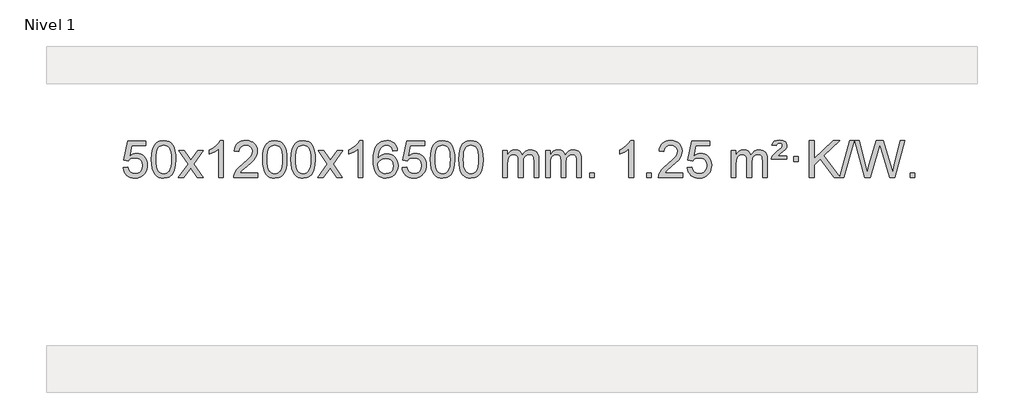
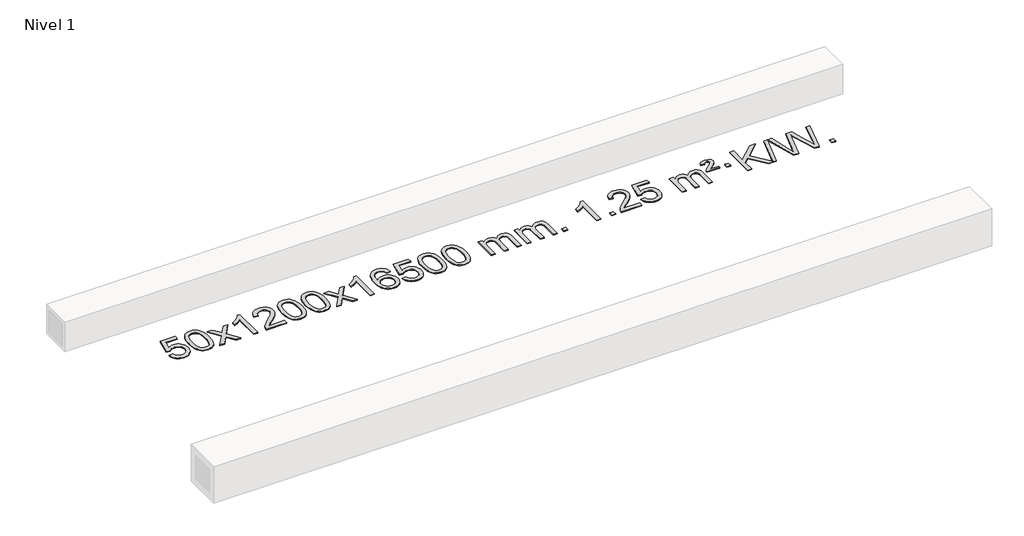
# One storey, part 3 of 3: 1 proxy.
"""IFC4 building model written with IfcOpenShell, lengths in millimetres."""

from ifc_helpers import new_model, si_unit, origin, origin_with_axes, place, context, project, spatial, polyline, outline, extrude, element, save

model = new_model("IFC4")

# Units and contexts
model_context = context("Model", 3, world=origin())
ifc_project = project(units=[si_unit("LENGTHUNIT", "METRE", prefix="MILLI")], contexts=[model_context])

# Site, building, storey
site = spatial("IfcSite", under=ifc_project)
building = spatial("IfcBuilding", under=site)
storey = spatial("IfcBuildingStorey", under=building, Name="Nivel 1", Elevation=0.0)

# Proxy
placement = place(None, origin())
element("IfcBuildingElementProxy", 1, Name="Texto de modelo 1", ObjectType="Texto de modelo 1", at=placement, inside=storey, context=model_context, shape_type="SweptSolid", body=[
    extrude(outline(polyline([(-19164.9669637, 2390.4100258), (-19114.7388086, 2396.6885452), (-19105.5172333, 2366.5344844), (-19089.4285273, 2344.9398112), (-19066.5462672, 2331.9535768), (-19036.9440294, 2327.624832), (-19017.8141656, 2329.1300825), (-19000.9406448, 2333.645834), (-18986.3234668, 2341.1720865), (-18973.9626318, 2351.7088399), (-18964.1340511, 2364.7349283), (-18957.1136364, 2379.7291852), (-18951.4973046, 2415.6222052), (-18956.7580171, 2449.4182979), (-18963.3339078, 2463.3365), (-18972.5401547, 2475.2681394), (-18984.4074148, 2484.8392026), (-18998.9663447, 2491.6756764), (-19036.1592144, 2497.1448554), (-19060.5252652, 2494.9620889), (-19080.2560029, 2488.4137894), (-19096.013615, 2478.3828736), (-19108.4602892, 2465.7522585), (-19158.6884443, 2472.0307778), (-19114.7388086, 2679.2219175), (-18920.1047077, 2679.2219175), (-18920.1047077, 2628.9937624), (-19074.1246363, 2628.9937624), (-19095.6089449, 2518.3348583), (-19077.8831641, 2531.0390499), (-19059.7281876, 2540.1134724), (-19041.1440155, 2545.5581259), (-19022.1306477, 2547.3730104), (-18997.6695607, 2545.1227989), (-18975.2011678, 2538.3721643), (-18954.7254691, 2527.1211066), (-18936.2424645, 2511.3696259), (-18920.9416392, 2492.0803466), (-18910.0124783, 2470.2158933), (-18903.4549817, 2445.7762661), (-18901.2691495, 2418.7614649), (-18903.2373182, 2392.7399451), (-18909.1418242, 2368.5333099), (-18918.9826676, 2346.1415591), (-18932.7598483, 2325.5646928), (-18953.6310202, 2304.4911859), (-18977.9848083, 2289.4386809), (-19005.8212126, 2280.4071779), (-19037.1402331, 2277.3966769), (-19063.0605853, 2279.3311231), (-19086.4732086, 2285.1344616), (-19107.378103, 2294.8066923), (-19125.7752685, 2308.3478154), (-19141.0822251, 2325.0833805), (-19152.7164932, 2344.3389373), (-19160.6780728, 2366.1144857), (-19164.9669637, 2390.4100258)])), origin_with_axes(), (0.0, 0.0, 1.0), 10.0),
    extrude(outline(polyline([(-18857.3195138, 2481.350455), (-18853.6284312, 2545.6684905), (-18842.5551831, 2596.9635034), (-18824.2101343, 2636.0203086), (-18812.3520713, 2651.2536888), (-18798.7036493, 2663.6237209), (-18783.218883, 2673.1947842), (-18765.8517871, 2680.0312579), (-18725.4706068, 2685.5004369), (-18694.5194682, 2682.2630753), (-18666.8056913, 2672.5509907), (-18643.6291256, 2656.7443276), (-18626.2896209, 2635.2232309), (-18613.1930218, 2608.1716415), (-18602.7451732, 2575.7735005), (-18595.9025681, 2534.6320307), (-18593.6216997, 2481.350455), (-18597.2759942, 2417.4003016), (-18608.2388776, 2366.227916), (-18626.4735619, 2327.1343227), (-18638.3040337, 2311.8549571), (-18651.9432587, 2299.4205457), (-18667.4464191, 2289.7851031), (-18684.8686972, 2282.9026441), (-18725.4706068, 2277.3966769), (-18753.1353328, 2279.7879099), (-18777.6607992, 2286.9616088), (-18799.0470058, 2298.9177736), (-18817.2939528, 2315.6564044), (-18834.8051357, 2345.9146985), (-18847.3131236, 2383.6164717), (-18854.8179163, 2428.7617238), (-18857.3195138, 2481.350455)]), holes=[polyline([(-18807.0913588, 2481.4485569), (-18805.6198308, 2437.7840298), (-18801.2052468, 2402.4397671), (-18793.8476069, 2375.4157689), (-18783.5469111, 2356.7120351), (-18771.0879742, 2343.9863837), (-18757.2556112, 2334.8966328), (-18742.049822, 2329.4427822), (-18725.4706068, 2327.624832), (-18708.8913915, 2329.4489136), (-18693.6856024, 2334.9211582), (-18679.8532394, 2344.041566), (-18667.3943025, 2356.8101369), (-18657.0936066, 2375.5445276), (-18649.7359667, 2402.5623944), (-18645.3213828, 2437.8637375), (-18643.8498548, 2481.4485569), (-18645.2723318, 2523.9573215), (-18649.539763, 2558.6792504), (-18656.6521482, 2585.6143438), (-18666.6094875, 2604.7626017), (-18678.859958, 2618.1105868), (-18692.8517365, 2627.6448618), (-18708.5848232, 2633.3654268), (-18726.059218, 2635.2722818), (-18742.5525941, 2633.5922874), (-18757.5008658, 2628.5523041), (-18770.9040332, 2620.1523318), (-18782.7620962, 2608.3923707), (-18793.4061486, 2587.5457243), (-18801.0090431, 2559.4395399), (-18805.5707799, 2524.0738174), (-18807.0913588, 2481.4485569)])]), origin_with_axes(), (0.0, 0.0, 1.0), 10.0),
    extrude(outline(polyline([(-18568.5076222, 2283.6751963), (-18461.1841814, 2432.0052168), (-18562.2291028, 2578.7656074), (-18501.7983537, 2578.7656074), (-18453.0417266, 2508.1322643), (-18430.2820938, 2474.7776301), (-18410.5636189, 2502.0499486), (-18355.0379631, 2578.7656074), (-18294.607214, 2578.7656074), (-18400.7534324, 2432.0052168), (-18298.5312886, 2283.6751963), (-18358.9620377, 2283.6751963), (-18420.4719073, 2372.8497919), (-18431.7536218, 2389.1347016), (-18508.0768731, 2283.6751963), (-18568.5076222, 2283.6751963)])), origin_with_axes(), (0.0, 0.0, 1.0), 10.0),
    extrude(outline(polyline([(-18078.7831102, 2283.6751963), (-18129.0112653, 2283.6751963), (-18129.0112653, 2596.8163506), (-18149.980539, 2579.8569906), (-18176.59067, 2562.9221561), (-18229.4675754, 2537.5628239), (-18229.4675754, 2585.0441268), (-18190.0183628, 2606.5039098), (-18155.8421254, 2632.0349203), (-18128.9009007, 2659.1846115), (-18111.1567258, 2685.5004369), (-18078.7831102, 2685.5004369), (-18078.7831102, 2283.6751963)])), origin_with_axes(), (0.0, 0.0, 1.0), 10.0),
    extrude(outline(polyline([(-17702.0719471, 2333.9033514), (-17702.0719471, 2283.6751963), (-17965.7697613, 2283.6751963), (-17964.6661153, 2301.3580575), (-17960.3741587, 2318.3051548), (-17947.9887982, 2345.3690069), (-17929.8644785, 2371.6235186), (-17903.646755, 2399.1043037), (-17866.9811828, 2429.8469757), (-17812.7799022, 2477.9904662), (-17780.2591338, 2513.5278669), (-17763.9987496, 2542.3698153), (-17758.5786216, 2570.4269488), (-17763.6921813, 2595.5778145), (-17779.0328605, 2616.4857746), (-17802.6140964, 2630.575655), (-17832.4493262, 2635.2722818), (-17863.7806095, 2630.6860196), (-17888.1221348, 2616.927233), (-17903.830696, 2595.0750425), (-17909.2630868, 2566.2085686), (-17959.4912419, 2572.487088), (-17955.1716941, 2598.4166373), (-17947.3143478, 2621.0720368), (-17935.919203, 2640.4532866), (-17920.9862597, 2656.5603866), (-17902.8588744, 2669.2216586), (-17881.8804036, 2678.2654243), (-17858.0508474, 2683.6916838), (-17831.3702057, 2685.5004369), (-17804.4504407, 2683.4893487), (-17780.4921258, 2677.4560839), (-17759.4952609, 2667.4006427), (-17741.4598461, 2653.3230251), (-17726.9744925, 2636.2655632), (-17716.6278114, 2617.2705895), (-17710.4198027, 2596.338104), (-17708.3504665, 2573.4681066), (-17710.5822839, 2549.4454124), (-17717.2777363, 2525.839651), (-17729.1603247, 2501.8292194), (-17746.9535505, 2476.5925146), (-17775.3172524, 2446.4629792), (-17818.9112688, 2407.774056), (-17876.6932675, 2359.4588873), (-17899.3547984, 2333.9033514), (-17702.0719471, 2333.9033514)])), origin_with_axes(), (0.0, 0.0, 1.0), 10.0),
    extrude(outline(polyline([(-17651.8437921, 2481.350455), (-17648.1527094, 2545.6684905), (-17637.0794613, 2596.9635034), (-17618.7344125, 2636.0203086), (-17606.8763495, 2651.2536888), (-17593.2279275, 2663.6237209), (-17577.7431612, 2673.1947842), (-17560.3760653, 2680.0312579), (-17519.994885, 2685.5004369), (-17489.0437465, 2682.2630753), (-17461.3299695, 2672.5509907), (-17438.1534038, 2656.7443276), (-17420.8138991, 2635.2232309), (-17407.7173001, 2608.1716415), (-17397.2694514, 2575.7735005), (-17390.4268463, 2534.6320307), (-17388.1459779, 2481.350455), (-17391.8002724, 2417.4003016), (-17402.7631558, 2366.227916), (-17420.9978401, 2327.1343227), (-17432.8283119, 2311.8549571), (-17446.4675369, 2299.4205457), (-17461.9706973, 2289.7851031), (-17479.3929754, 2282.9026441), (-17519.994885, 2277.3966769), (-17547.659611, 2279.7879099), (-17572.1850774, 2286.9616088), (-17593.571284, 2298.9177736), (-17611.818231, 2315.6564044), (-17629.3294139, 2345.9146985), (-17641.8374018, 2383.6164717), (-17649.3421945, 2428.7617238), (-17651.8437921, 2481.350455)]), holes=[polyline([(-17601.615637, 2481.4485569), (-17600.144109, 2437.7840298), (-17595.7295251, 2402.4397671), (-17588.3718851, 2375.4157689), (-17578.0711893, 2356.7120351), (-17565.6122524, 2343.9863837), (-17551.7798894, 2334.8966328), (-17536.5741002, 2329.4427822), (-17519.994885, 2327.624832), (-17503.4156697, 2329.4489136), (-17488.2098806, 2334.9211582), (-17474.3775176, 2344.041566), (-17461.9185807, 2356.8101369), (-17451.6178848, 2375.5445276), (-17444.2602449, 2402.5623944), (-17439.845661, 2437.8637375), (-17438.374133, 2481.4485569), (-17439.79661, 2523.9573215), (-17444.0640412, 2558.6792504), (-17451.1764264, 2585.6143438), (-17461.1337658, 2604.7626017), (-17473.3842362, 2618.1105868), (-17487.3760147, 2627.6448618), (-17503.1091014, 2633.3654268), (-17520.5834962, 2635.2722818), (-17537.0768723, 2633.5922874), (-17552.025144, 2628.5523041), (-17565.4283114, 2620.1523318), (-17577.2863744, 2608.3923707), (-17587.9304268, 2587.5457243), (-17595.5333213, 2559.4395399), (-17600.0950581, 2524.0738174), (-17601.615637, 2481.4485569)])]), origin_with_axes(), (0.0, 0.0, 1.0), 10.0),
    extrude(outline(polyline([(-17344.1963422, 2481.350455), (-17340.5052595, 2545.6684905), (-17329.4320115, 2596.9635034), (-17311.0869627, 2636.0203086), (-17299.2288997, 2651.2536888), (-17285.5804777, 2663.6237209), (-17270.0957113, 2673.1947842), (-17252.7286155, 2680.0312579), (-17212.3474351, 2685.5004369), (-17181.3962966, 2682.2630753), (-17153.6825196, 2672.5509907), (-17130.505954, 2656.7443276), (-17113.1664492, 2635.2232309), (-17100.0698502, 2608.1716415), (-17089.6220016, 2575.7735005), (-17082.7793964, 2534.6320307), (-17080.4985281, 2481.350455), (-17084.1528226, 2417.4003016), (-17095.115706, 2366.227916), (-17113.3503902, 2327.1343227), (-17125.1808621, 2311.8549571), (-17138.820087, 2299.4205457), (-17154.3232475, 2289.7851031), (-17171.7455256, 2282.9026441), (-17212.3474351, 2277.3966769), (-17240.0121612, 2279.7879099), (-17264.5376275, 2286.9616088), (-17285.9238342, 2298.9177736), (-17304.1707811, 2315.6564044), (-17321.6819641, 2345.9146985), (-17334.1899519, 2383.6164717), (-17341.6947446, 2428.7617238), (-17344.1963422, 2481.350455)]), holes=[polyline([(-17293.9681871, 2481.4485569), (-17292.4966592, 2437.7840298), (-17288.0820752, 2402.4397671), (-17280.7244353, 2375.4157689), (-17270.4237395, 2356.7120351), (-17257.9648025, 2343.9863837), (-17244.1324395, 2334.8966328), (-17228.9266504, 2329.4427822), (-17212.3474351, 2327.624832), (-17195.7682199, 2329.4489136), (-17180.5624308, 2334.9211582), (-17166.7300677, 2344.041566), (-17154.2711308, 2356.8101369), (-17143.970435, 2375.5445276), (-17136.6127951, 2402.5623944), (-17132.1982111, 2437.8637375), (-17130.7266831, 2481.4485569), (-17132.1491602, 2523.9573215), (-17136.4165913, 2558.6792504), (-17143.5289766, 2585.6143438), (-17153.4863159, 2604.7626017), (-17165.7367864, 2618.1105868), (-17179.7285649, 2627.6448618), (-17195.4616516, 2633.3654268), (-17212.9360463, 2635.2722818), (-17229.4294225, 2633.5922874), (-17244.3776942, 2628.5523041), (-17257.7808616, 2620.1523318), (-17269.6389245, 2608.3923707), (-17280.2829769, 2587.5457243), (-17287.8858715, 2559.4395399), (-17292.4476082, 2524.0738174), (-17293.9681871, 2481.4485569)])]), origin_with_axes(), (0.0, 0.0, 1.0), 10.0),
    extrude(outline(polyline([(-17055.3844505, 2283.6751963), (-16948.0610098, 2432.0052168), (-17049.1059312, 2578.7656074), (-16988.6751821, 2578.7656074), (-16939.918555, 2508.1322643), (-16917.1589222, 2474.7776301), (-16897.4404473, 2502.0499486), (-16841.9147915, 2578.7656074), (-16781.4840424, 2578.7656074), (-16887.6302607, 2432.0052168), (-16785.408117, 2283.6751963), (-16845.8388661, 2283.6751963), (-16907.3487357, 2372.8497919), (-16918.6304502, 2389.1347016), (-16994.9537015, 2283.6751963), (-17055.3844505, 2283.6751963)])), origin_with_axes(), (0.0, 0.0, 1.0), 10.0),
    extrude(outline(polyline([(-16565.6599386, 2283.6751963), (-16615.8880936, 2283.6751963), (-16615.8880936, 2596.8163506), (-16636.8573674, 2579.8569906), (-16663.4674983, 2562.9221561), (-16716.3444038, 2537.5628239), (-16716.3444038, 2585.0441268), (-16676.8951912, 2606.5039098), (-16642.7189538, 2632.0349203), (-16615.777729, 2659.1846115), (-16598.0335541, 2685.5004369), (-16565.6599386, 2685.5004369), (-16565.6599386, 2283.6751963)])), origin_with_axes(), (0.0, 0.0, 1.0), 10.0),
    extrude(outline(polyline([(-16188.9487755, 2578.7656074), (-16239.1769306, 2572.487088), (-16247.2703345, 2597.3804363), (-16258.2086925, 2614.3765845), (-16280.9928507, 2630.0483575), (-16308.5349494, 2635.2722818), (-16331.8831934, 2632.231124), (-16353.8580112, 2623.1076505), (-16372.7303576, 2603.8919476), (-16388.1446132, 2577.4412322), (-16398.5556736, 2540.0276333), (-16402.4184346, 2487.92328), (-16382.270764, 2511.4309395), (-16358.1254423, 2527.997892), (-16331.3313704, 2537.8203413), (-16303.2374487, 2541.0944911), (-16279.1043898, 2538.8565423), (-16256.8352663, 2532.1426958), (-16236.4300783, 2520.9529518), (-16217.8888258, 2505.2873102), (-16202.4807016, 2486.0777387), (-16191.4748985, 2464.256205), (-16184.8714167, 2439.8227092), (-16182.6702561, 2412.7772511), (-16186.8150599, 2376.8106548), (-16199.2494714, 2343.4682833), (-16218.9434208, 2315.1904206), (-16244.8668388, 2294.4173506), (-16275.8425028, 2281.6518453), (-16310.6931904, 2277.3966769), (-16340.6357192, 2280.2171056), (-16367.6781115, 2288.6783914), (-16391.8203674, 2302.7805346), (-16413.062487, 2322.523535), (-16430.3805319, 2348.7412585), (-16442.750564, 2382.267571), (-16450.1725832, 2423.1024725), (-16452.6465896, 2471.2459629), (-16449.8997374, 2525.220383), (-16441.6591807, 2571.2853401), (-16427.9249196, 2609.4408344), (-16408.6969539, 2639.6868658), (-16387.8564389, 2659.7303031), (-16363.6927232, 2674.0470441), (-16336.2058068, 2682.6370887), (-16305.3956897, 2685.5004369), (-16282.2620436, 2683.728472), (-16261.3234267, 2678.4125771), (-16242.579839, 2669.5527524), (-16226.0312806, 2657.1489978), (-16212.1253412, 2641.6182462), (-16201.3096105, 2623.3774307), (-16193.5840886, 2602.426551), (-16188.9487755, 2578.7656074)]), holes=[polyline([(-16402.4184346, 2413.5620661), (-16399.5121668, 2391.3052054), (-16390.7933635, 2370.0538888), (-16377.2553061, 2351.7824163), (-16359.8912759, 2338.4650881), (-16338.9342649, 2330.334896), (-16314.617265, 2327.624832), (-16281.4710973, 2333.2411638), (-16267.5559608, 2340.2615785), (-16255.4127893, 2350.0901592), (-16245.5627489, 2362.3283669), (-16238.5270057, 2376.5776628), (-16232.8984112, 2411.1095194), (-16238.4534293, 2444.2556872), (-16245.397202, 2457.8765181), (-16255.1184837, 2469.5291803), (-16267.2984434, 2478.8641859), (-16281.6182501, 2485.5320471), (-16316.6774042, 2490.866336), (-16349.7745211, 2485.5320471), (-16377.4515098, 2469.5291803), (-16388.3745394, 2458.0298022), (-16396.1767034, 2444.8688239), (-16400.8580018, 2430.0462451), (-16402.4184346, 2413.5620661)])]), origin_with_axes(), (0.0, 0.0, 1.0), 10.0),
    extrude(outline(polyline([(-16138.7206204, 2390.4100258), (-16088.4924653, 2396.6885452), (-16079.27089, 2366.5344844), (-16063.1821841, 2344.9398112), (-16040.299924, 2331.9535768), (-16010.6976861, 2327.624832), (-15991.5678224, 2329.1300825), (-15974.6943015, 2333.645834), (-15960.0771236, 2341.1720865), (-15947.7162885, 2351.7088399), (-15937.8877079, 2364.7349283), (-15930.8672931, 2379.7291852), (-15925.2509614, 2415.6222052), (-15930.5116739, 2449.4182979), (-15937.0875645, 2463.3365), (-15946.2938115, 2475.2681394), (-15958.1610715, 2484.8392026), (-15972.7200015, 2491.6756764), (-16009.9128712, 2497.1448554), (-16034.278922, 2494.9620889), (-16054.0096597, 2488.4137894), (-16069.7672718, 2478.3828736), (-16082.213946, 2465.7522585), (-16132.442101, 2472.0307778), (-16088.4924653, 2679.2219175), (-15893.8583644, 2679.2219175), (-15893.8583644, 2628.9937624), (-16047.8782931, 2628.9937624), (-16069.3626016, 2518.3348583), (-16051.6368208, 2531.0390499), (-16033.4818443, 2540.1134724), (-16014.8976722, 2545.5581259), (-15995.8843044, 2547.3730104), (-15971.4232174, 2545.1227989), (-15948.9548246, 2538.3721643), (-15928.4791259, 2527.1211066), (-15909.9961213, 2511.3696259), (-15894.695296, 2492.0803466), (-15883.766135, 2470.2158933), (-15877.2086385, 2445.7762661), (-15875.0228063, 2418.7614649), (-15876.990975, 2392.7399451), (-15882.895481, 2368.5333099), (-15892.7363243, 2346.1415591), (-15906.5135051, 2325.5646928), (-15927.3846769, 2304.4911859), (-15951.738465, 2289.4386809), (-15979.5748693, 2280.4071779), (-16010.8938898, 2277.3966769), (-16036.8142421, 2279.3311231), (-16060.2268654, 2285.1344616), (-16081.1317598, 2294.8066923), (-16099.5289252, 2308.3478154), (-16114.8358819, 2325.0833805), (-16126.47015, 2344.3389373), (-16134.4317295, 2366.1144857), (-16138.7206204, 2390.4100258)])), origin_with_axes(), (0.0, 0.0, 1.0), 10.0),
    extrude(outline(polyline([(-15831.0731706, 2481.350455), (-15827.3820879, 2545.6684905), (-15816.3088398, 2596.9635034), (-15797.963791, 2636.0203086), (-15786.105728, 2651.2536888), (-15772.457306, 2663.6237209), (-15756.9725397, 2673.1947842), (-15739.6054439, 2680.0312579), (-15699.2242635, 2685.5004369), (-15668.273125, 2682.2630753), (-15640.559348, 2672.5509907), (-15617.3827823, 2656.7443276), (-15600.0432776, 2635.2232309), (-15586.9466786, 2608.1716415), (-15576.4988299, 2575.7735005), (-15569.6562248, 2534.6320307), (-15567.3753564, 2481.350455), (-15571.0296509, 2417.4003016), (-15581.9925344, 2366.227916), (-15600.2272186, 2327.1343227), (-15612.0576904, 2311.8549571), (-15625.6969154, 2299.4205457), (-15641.2000758, 2289.7851031), (-15658.622354, 2282.9026441), (-15699.2242635, 2277.3966769), (-15726.8889896, 2279.7879099), (-15751.4144559, 2286.9616088), (-15772.8006626, 2298.9177736), (-15791.0476095, 2315.6564044), (-15808.5587925, 2345.9146985), (-15821.0667803, 2383.6164717), (-15828.571573, 2428.7617238), (-15831.0731706, 2481.350455)]), holes=[polyline([(-15780.8450155, 2481.4485569), (-15779.3734875, 2437.7840298), (-15774.9589036, 2402.4397671), (-15767.6012637, 2375.4157689), (-15757.3005678, 2356.7120351), (-15744.8416309, 2343.9863837), (-15731.0092679, 2334.8966328), (-15715.8034788, 2329.4427822), (-15699.2242635, 2327.624832), (-15682.6450483, 2329.4489136), (-15667.4392591, 2334.9211582), (-15653.6068961, 2344.041566), (-15641.1479592, 2356.8101369), (-15630.8472633, 2375.5445276), (-15623.4896234, 2402.5623944), (-15619.0750395, 2437.8637375), (-15617.6035115, 2481.4485569), (-15619.0259886, 2523.9573215), (-15623.2934197, 2558.6792504), (-15630.405805, 2585.6143438), (-15640.3631443, 2604.7626017), (-15652.6136147, 2618.1105868), (-15666.6053933, 2627.6448618), (-15682.3384799, 2633.3654268), (-15699.8128747, 2635.2722818), (-15716.3062508, 2633.5922874), (-15731.2545226, 2628.5523041), (-15744.6576899, 2620.1523318), (-15756.5157529, 2608.3923707), (-15767.1598053, 2587.5457243), (-15774.7626999, 2559.4395399), (-15779.3244366, 2524.0738174), (-15780.8450155, 2481.4485569)])]), origin_with_axes(), (0.0, 0.0, 1.0), 10.0),
    extrude(outline(polyline([(-15523.4257208, 2481.350455), (-15519.7346381, 2545.6684905), (-15508.66139, 2596.9635034), (-15490.3163412, 2636.0203086), (-15478.4582782, 2651.2536888), (-15464.8098562, 2663.6237209), (-15449.3250899, 2673.1947842), (-15431.957994, 2680.0312579), (-15391.5768137, 2685.5004369), (-15360.6256752, 2682.2630753), (-15332.9118982, 2672.5509907), (-15309.7353325, 2656.7443276), (-15292.3958278, 2635.2232309), (-15279.2992288, 2608.1716415), (-15268.8513801, 2575.7735005), (-15262.008775, 2534.6320307), (-15259.7279066, 2481.350455), (-15263.3822011, 2417.4003016), (-15274.3450846, 2366.227916), (-15292.5797688, 2327.1343227), (-15304.4102406, 2311.8549571), (-15318.0494656, 2299.4205457), (-15333.552626, 2289.7851031), (-15350.9749041, 2282.9026441), (-15391.5768137, 2277.3966769), (-15419.2415397, 2279.7879099), (-15443.7670061, 2286.9616088), (-15465.1532127, 2298.9177736), (-15483.4001597, 2315.6564044), (-15500.9113427, 2345.9146985), (-15513.4193305, 2383.6164717), (-15520.9241232, 2428.7617238), (-15523.4257208, 2481.350455)]), holes=[polyline([(-15473.1975657, 2481.4485569), (-15471.7260377, 2437.7840298), (-15467.3114538, 2402.4397671), (-15459.9538139, 2375.4157689), (-15449.653118, 2356.7120351), (-15437.1941811, 2343.9863837), (-15423.3618181, 2334.8966328), (-15408.1560289, 2329.4427822), (-15391.5768137, 2327.624832), (-15374.9975984, 2329.4489136), (-15359.7918093, 2334.9211582), (-15345.9594463, 2344.041566), (-15333.5005094, 2356.8101369), (-15323.1998135, 2375.5445276), (-15315.8421736, 2402.5623944), (-15311.4275897, 2437.8637375), (-15309.9560617, 2481.4485569), (-15311.3785387, 2523.9573215), (-15315.6459699, 2558.6792504), (-15322.7583551, 2585.6143438), (-15332.7156945, 2604.7626017), (-15344.9661649, 2618.1105868), (-15358.9579434, 2627.6448618), (-15374.6910301, 2633.3654268), (-15392.1654249, 2635.2722818), (-15408.658801, 2633.5922874), (-15423.6070727, 2628.5523041), (-15437.0102401, 2620.1523318), (-15448.8683031, 2608.3923707), (-15459.5123555, 2587.5457243), (-15467.11525, 2559.4395399), (-15471.6769868, 2524.0738174), (-15473.1975657, 2481.4485569)])]), origin_with_axes(), (0.0, 0.0, 1.0), 10.0),
    extrude(outline(polyline([(-15046.2582475, 2283.6751963), (-15046.2582475, 2578.7656074), (-14996.0300925, 2578.7656074), (-14996.0300925, 2530.205184), (-14980.9224052, 2552.5110956), (-14961.4982359, 2569.9854904), (-14938.419772, 2581.2794677), (-14912.3492013, 2585.0441268), (-14884.4146951, 2581.2058913), (-14862.0229444, 2569.6911848), (-14845.2965763, 2551.2602969), (-14834.3582183, 2526.6735169), (-14816.0499577, 2552.2106587), (-14795.1665231, 2570.4514743), (-14771.7079145, 2581.3959636), (-14745.674132, 2585.0441268), (-14725.5663153, 2583.5266135), (-14707.9171766, 2578.9740738), (-14692.7267159, 2571.3865077), (-14679.9949331, 2560.7639151), (-14669.9302949, 2546.9836687), (-14662.7412676, 2529.9231411), (-14658.4278512, 2509.5823325), (-14656.9900457, 2485.9612427), (-14656.9900457, 2283.6751963), (-14707.2182008, 2283.6751963), (-14707.2182008, 2464.3788323), (-14708.3831604, 2489.4315962), (-14711.8780394, 2506.3173798), (-14718.4263389, 2517.8811372), (-14728.7515602, 2526.9678224), (-14742.0321003, 2532.8539344), (-14757.4463559, 2534.8159717), (-14784.6573608, 2529.7882511), (-14806.8406451, 2514.7050893), (-14815.4460181, 2503.1352005), (-14821.5927131, 2488.5364167), (-14826.5100691, 2450.2521637), (-14826.5100691, 2283.6751963), (-14876.7382242, 2283.6751963), (-14876.7382242, 2469.9706387), (-14879.6444919, 2498.3711287), (-14888.3632952, 2518.6291639), (-14903.7039744, 2530.7692697), (-14926.4758699, 2534.8159717), (-14945.8264629, 2532.1181704), (-14963.6564769, 2524.0247665), (-14978.3717567, 2510.7319637), (-14988.378147, 2492.4359658), (-14994.1171061, 2467.0521082), (-14996.0300925, 2432.4957261), (-14996.0300925, 2283.6751963), (-15046.2582475, 2283.6751963)])), origin_with_axes(), (0.0, 0.0, 1.0), 10.0),
    extrude(outline(polyline([(-14581.6478131, 2283.6751963), (-14581.6478131, 2578.7656074), (-14531.419658, 2578.7656074), (-14531.419658, 2530.205184), (-14516.3119708, 2552.5110956), (-14496.8878014, 2569.9854904), (-14473.8093376, 2581.2794677), (-14447.7387669, 2585.0441268), (-14419.8042607, 2581.2058913), (-14397.4125099, 2569.6911848), (-14380.6861419, 2551.2602969), (-14369.7477839, 2526.6735169), (-14351.4395233, 2552.2106587), (-14330.5560887, 2570.4514743), (-14307.0974801, 2581.3959636), (-14281.0636976, 2585.0441268), (-14260.9558809, 2583.5266135), (-14243.3067421, 2578.9740738), (-14228.1162814, 2571.3865077), (-14215.3844987, 2560.7639151), (-14205.3198605, 2546.9836687), (-14198.1308331, 2529.9231411), (-14193.8174167, 2509.5823325), (-14192.3796113, 2485.9612427), (-14192.3796113, 2283.6751963), (-14242.6077663, 2283.6751963), (-14242.6077663, 2464.3788323), (-14243.772726, 2489.4315962), (-14247.267605, 2506.3173798), (-14253.8159045, 2517.8811372), (-14264.1411258, 2526.9678224), (-14277.4216658, 2532.8539344), (-14292.8359214, 2534.8159717), (-14320.0469263, 2529.7882511), (-14342.2302106, 2514.7050893), (-14350.8355836, 2503.1352005), (-14356.9822786, 2488.5364167), (-14361.8996347, 2450.2521637), (-14361.8996347, 2283.6751963), (-14412.1277897, 2283.6751963), (-14412.1277897, 2469.9706387), (-14415.0340575, 2498.3711287), (-14423.7528608, 2518.6291639), (-14439.09354, 2530.7692697), (-14461.8654355, 2534.8159717), (-14481.2160284, 2532.1181704), (-14499.0460425, 2524.0247665), (-14513.7613223, 2510.7319637), (-14523.7677125, 2492.4359658), (-14529.5066717, 2467.0521082), (-14531.419658, 2432.4957261), (-14531.419658, 2283.6751963), (-14581.6478131, 2283.6751963)])), origin_with_axes(), (0.0, 0.0, 1.0), 10.0),
    extrude(outline(polyline([(-14104.4803399, 2283.6751963), (-14104.4803399, 2333.9033514), (-14054.2521848, 2333.9033514), (-14054.2521848, 2283.6751963), (-14104.4803399, 2283.6751963)])), origin_with_axes(), (0.0, 0.0, 1.0), 10.0),
    extrude(outline(polyline([(-13627.3128667, 2283.6751963), (-13677.5410218, 2283.6751963), (-13677.5410218, 2596.8163506), (-13698.5102955, 2579.8569906), (-13725.1204265, 2562.9221561), (-13777.9973319, 2537.5628239), (-13777.9973319, 2585.0441268), (-13738.5481193, 2606.5039098), (-13704.3718819, 2632.0349203), (-13677.4306572, 2659.1846115), (-13659.6864823, 2685.5004369), (-13627.3128667, 2685.5004369), (-13627.3128667, 2283.6751963)])), origin_with_axes(), (0.0, 0.0, 1.0), 10.0),
    extrude(outline(polyline([(-13482.9069208, 2283.6751963), (-13482.9069208, 2333.9033514), (-13432.6787658, 2333.9033514), (-13432.6787658, 2283.6751963), (-13482.9069208, 2283.6751963)])), origin_with_axes(), (0.0, 0.0, 1.0), 10.0),
    extrude(outline(polyline([(-13093.638719, 2333.9033514), (-13093.638719, 2283.6751963), (-13357.3365332, 2283.6751963), (-13356.2328872, 2301.3580575), (-13351.9409306, 2318.3051548), (-13339.5555701, 2345.3690069), (-13321.4312504, 2371.6235186), (-13295.2135269, 2399.1043037), (-13258.5479547, 2429.8469757), (-13204.3466741, 2477.9904662), (-13171.8259057, 2513.5278669), (-13155.5655215, 2542.3698153), (-13150.1453935, 2570.4269488), (-13155.2589532, 2595.5778145), (-13170.5996324, 2616.4857746), (-13194.1808683, 2630.575655), (-13224.0160981, 2635.2722818), (-13255.3473814, 2630.6860196), (-13279.6889067, 2616.927233), (-13295.3974679, 2595.0750425), (-13300.8298587, 2566.2085686), (-13351.0580138, 2572.487088), (-13346.738466, 2598.4166373), (-13338.8811197, 2621.0720368), (-13327.4859749, 2640.4532866), (-13312.5530316, 2656.5603866), (-13294.4256463, 2669.2216586), (-13273.4471755, 2678.2654243), (-13249.6176193, 2683.6916838), (-13222.9369776, 2685.5004369), (-13196.0172126, 2683.4893487), (-13172.0588977, 2677.4560839), (-13151.0620328, 2667.4006427), (-13133.026618, 2653.3230251), (-13118.5412644, 2636.2655632), (-13108.1945833, 2617.2705895), (-13101.9865746, 2596.338104), (-13099.9172384, 2573.4681066), (-13102.1490558, 2549.4454124), (-13108.8445081, 2525.839651), (-13120.7270966, 2501.8292194), (-13138.5203224, 2476.5925146), (-13166.8840243, 2446.4629792), (-13210.4780407, 2407.774056), (-13268.2600394, 2359.4588873), (-13290.9215703, 2333.9033514), (-13093.638719, 2333.9033514)])), origin_with_axes(), (0.0, 0.0, 1.0), 10.0),
    extrude(outline(polyline([(-13043.4105639, 2390.4100258), (-12993.1824089, 2396.6885452), (-12983.9608335, 2366.5344844), (-12967.8721276, 2344.9398112), (-12944.9898675, 2331.9535768), (-12915.3876296, 2327.624832), (-12896.2577659, 2329.1300825), (-12879.384245, 2333.645834), (-12864.7670671, 2341.1720865), (-12852.406232, 2351.7088399), (-12842.5776514, 2364.7349283), (-12835.5572367, 2379.7291852), (-12829.9409049, 2415.6222052), (-12835.2016174, 2449.4182979), (-12841.7775081, 2463.3365), (-12850.983755, 2475.2681394), (-12862.851015, 2484.8392026), (-12877.409945, 2491.6756764), (-12914.6028147, 2497.1448554), (-12938.9688655, 2494.9620889), (-12958.6996032, 2488.4137894), (-12974.4572153, 2478.3828736), (-12986.9038895, 2465.7522585), (-13037.1320446, 2472.0307778), (-12993.1824089, 2679.2219175), (-12798.5483079, 2679.2219175), (-12798.5483079, 2628.9937624), (-12952.5682366, 2628.9937624), (-12974.0525451, 2518.3348583), (-12956.3267643, 2531.0390499), (-12938.1717878, 2540.1134724), (-12919.5876157, 2545.5581259), (-12900.5742479, 2547.3730104), (-12876.1131609, 2545.1227989), (-12853.6447681, 2538.3721643), (-12833.1690694, 2527.1211066), (-12814.6860648, 2511.3696259), (-12799.3852395, 2492.0803466), (-12788.4560785, 2470.2158933), (-12781.898582, 2445.7762661), (-12779.7127498, 2418.7614649), (-12781.6809185, 2392.7399451), (-12787.5854245, 2368.5333099), (-12797.4262679, 2346.1415591), (-12811.2034486, 2325.5646928), (-12832.0746204, 2304.4911859), (-12856.4284085, 2289.4386809), (-12884.2648128, 2280.4071779), (-12915.5838333, 2277.3966769), (-12941.5041856, 2279.3311231), (-12964.9168089, 2285.1344616), (-12985.8217033, 2294.8066923), (-13004.2188687, 2308.3478154), (-13019.5258254, 2325.0833805), (-13031.1600935, 2344.3389373), (-13039.121673, 2366.1144857), (-13043.4105639, 2390.4100258)])), origin_with_axes(), (0.0, 0.0, 1.0), 10.0),
    extrude(outline(polyline([(-12566.2430907, 2283.6751963), (-12566.2430907, 2578.7656074), (-12516.0149357, 2578.7656074), (-12516.0149357, 2530.205184), (-12500.9072484, 2552.5110956), (-12481.483079, 2569.9854904), (-12458.4046152, 2581.2794677), (-12432.3340445, 2585.0441268), (-12404.3995383, 2581.2058913), (-12382.0077875, 2569.6911848), (-12365.2814195, 2551.2602969), (-12354.3430615, 2526.6735169), (-12336.0348009, 2552.2106587), (-12315.1513663, 2570.4514743), (-12291.6927577, 2581.3959636), (-12265.6589752, 2585.0441268), (-12245.5511585, 2583.5266135), (-12227.9020198, 2578.9740738), (-12212.711559, 2571.3865077), (-12199.9797763, 2560.7639151), (-12189.9151381, 2546.9836687), (-12182.7261108, 2529.9231411), (-12178.4126944, 2509.5823325), (-12176.9748889, 2485.9612427), (-12176.9748889, 2283.6751963), (-12227.203044, 2283.6751963), (-12227.203044, 2464.3788323), (-12228.3680036, 2489.4315962), (-12231.8628826, 2506.3173798), (-12238.4111821, 2517.8811372), (-12248.7364034, 2526.9678224), (-12262.0169434, 2532.8539344), (-12277.431199, 2534.8159717), (-12304.642204, 2529.7882511), (-12326.8254883, 2514.7050893), (-12335.4308613, 2503.1352005), (-12341.5775563, 2488.5364167), (-12346.4949123, 2450.2521637), (-12346.4949123, 2283.6751963), (-12396.7230673, 2283.6751963), (-12396.7230673, 2469.9706387), (-12399.6293351, 2498.3711287), (-12408.3481384, 2518.6291639), (-12423.6888176, 2530.7692697), (-12446.4607131, 2534.8159717), (-12465.811306, 2532.1181704), (-12483.6413201, 2524.0247665), (-12498.3565999, 2510.7319637), (-12508.3629902, 2492.4359658), (-12514.1019493, 2467.0521082), (-12516.0149357, 2432.4957261), (-12516.0149357, 2283.6751963), (-12566.2430907, 2283.6751963)])), origin_with_axes(), (0.0, 0.0, 1.0), 10.0),
    extrude(outline(polyline([(-12133.0252532, 2484.5878166), (-12129.1992805, 2500.4067424), (-12120.8606219, 2516.2747191), (-12099.3517879, 2541.4133221), (-12067.3951053, 2569.1516246), (-12023.2492658, 2606.5284353), (-12016.1123551, 2618.0554045), (-12013.7333849, 2629.8766792), (-12015.6218458, 2641.9677341), (-12021.2872285, 2651.7533952), (-12030.6559567, 2658.2281183), (-12043.6544538, 2660.3863594), (-12056.0888653, 2658.7676786), (-12064.9425586, 2653.9116363), (-12071.3682308, 2644.4448062), (-12076.5185787, 2628.9937624), (-12126.7467338, 2635.2722818), (-12115.9064777, 2660.4844612), (-12099.2782115, 2678.0446951), (-12075.5130346, 2688.345391), (-12043.2620464, 2691.7789563), (-12007.479391, 2687.6464152), (-11982.7331954, 2675.248792), (-11968.3122212, 2656.9160059), (-11963.5052298, 2634.9779762), (-11967.6009827, 2612.0711907), (-11979.8882413, 2590.4397294), (-12000.4160567, 2570.6231525), (-12036.8854251, 2542.566019), (-12062.490012, 2515.9804135), (-11963.5052298, 2515.9804135), (-11963.5052298, 2484.5878166), (-12133.0252532, 2484.5878166)])), origin_with_axes(), (0.0, 0.0, 1.0), 10.0),
    extrude(outline(polyline([(-11888.1629972, 2459.4737391), (-11888.1629972, 2509.7018941), (-11837.9348421, 2509.7018941), (-11837.9348421, 2459.4737391), (-11888.1629972, 2459.4737391)])), origin_with_axes(), (0.0, 0.0, 1.0), 10.0),
    extrude(outline(polyline([(-11447.2932142, 2283.6751963), (-11600.7245317, 2486.3536502), (-11668.4148188, 2421.8026228), (-11668.4148188, 2283.6751963), (-11718.6429738, 2283.6751963), (-11718.6429738, 2685.5004369), (-11668.4148188, 2685.5004369), (-11668.4148188, 2488.8061968), (-11462.4009015, 2685.5004369), (-11392.1599659, 2685.5004369), (-11565.1135545, 2520.2968956), (-11390.4599447, 2289.7197161), (-11279.1466169, 2685.5004369), (-11233.8235551, 2685.5004369), (-11346.836904, 2283.6751963), (-11385.8814465, 2283.6751963), (-11392.1599659, 2283.6751963), (-11447.2932142, 2283.6751963)])), origin_with_axes(), (0.0, 0.0, 1.0), 10.0),
    extrude(outline(polyline([(-11119.3386782, 2283.6751963), (-11228.9184619, 2685.5004369), (-11177.1206769, 2685.5004369), (-11113.5506682, 2421.4102153), (-11093.9302951, 2339.8875652), (-11072.9364959, 2411.9924362), (-10993.2777812, 2685.5004369), (-10918.6222617, 2685.5004369), (-10860.7421611, 2487.236567), (-10835.9469146, 2413.6601679), (-10817.6754422, 2339.8875652), (-10798.6436803, 2419.0557705), (-10734.4850603, 2685.5004369), (-10682.6872754, 2685.5004369), (-10792.3651609, 2283.6751963), (-10846.0268813, 2283.6751963), (-10942.3629131, 2593.6770909), (-10955.8028686, 2636.9400135), (-10970.9105559, 2584.847923), (-11058.7117254, 2283.6751963), (-11119.3386782, 2283.6751963)])), origin_with_axes(), (0.0, 0.0, 1.0), 10.0),
    extrude(outline(polyline([(-10626.180601, 2283.6751963), (-10626.180601, 2333.9033514), (-10575.9524459, 2333.9033514), (-10575.9524459, 2283.6751963), (-10626.180601, 2283.6751963)])), origin_with_axes(), (0.0, 0.0, 1.0), 10.0),
])

save(model, "model.ifc")
